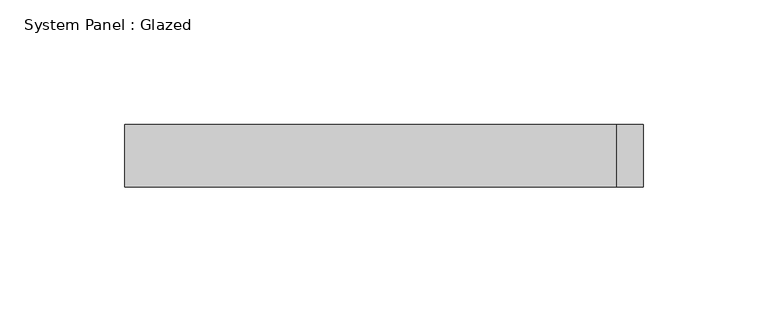
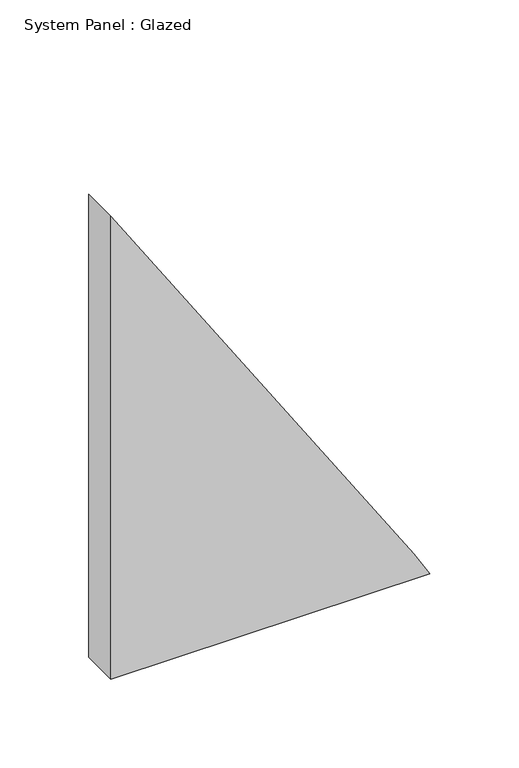
"""IFC4 building model written with IfcOpenShell, lengths in millimetres: plate geometry, System Panel : Glazed."""

from ifc_helpers import new_model, si_unit, point, frame, frame_2d, origin, place, context, project, spatial, polyline, circle_curve, trimmed, segment, composite_curve, outline, extrude, source, transform, mapped, element, save


def system_panel_glazed_21fdfa54(model_context):
    return source(origin(), model_context, "Body", "SweptSolid", [
        extrude(outline(composite_curve([segment(polyline([(0.0, -103.7873851), (0.0, 103.7873851)]), True, "CONTINUOUS"), segment(trimmed(circle_curve(frame_2d((-3276.8533559, -5272.3741986)), 6296.1004829), [point((0.0, 103.7873851))], [point((17.2315706, 93.2465285))], False, "CARTESIAN"), True, "CONTINUOUS"), segment(trimmed(circle_curve(frame_2d((-3276.8533559, -5272.3741986)), 6296.1004829), [point((17.2315706, 93.2465285))], [point((318.5036002, -103.7873851))], False, "CARTESIAN"), True, "CONTINUOUS"), segment(polyline([(318.5036002, -103.7873851), (0.0, -103.7873851)]), True, "CONTINUOUS")], self_intersect=False)), frame((0.0, 24.5, 0.0), z_axis=(0.0, 1.0, 0.0), x_axis=(0.0, 0.0, 1.0)), (0.0, 0.0, 1.0), 25.0),
    ])


if __name__ == "__main__":
    model = new_model("IFC4")
    model_context = context("Model", 3, world=origin())
    ifc_project = project(units=[si_unit("LENGTHUNIT", "METRE", prefix="MILLI")], contexts=[model_context])
    site = spatial("IfcSite", under=ifc_project)
    building = spatial("IfcBuilding", under=site)
    placement = place(None, origin())
    system_panel_glazed_shape = system_panel_glazed_21fdfa54(model_context)
    element("IfcPlate", 1, ObjectType="System Panel : Glazed", at=placement, inside=building, context=model_context, shape_type="MappedRepresentation", body=[
        mapped(system_panel_glazed_shape, transform((0.0, 0.0, 0.0), x_axis=(1.0, 0.0, 0.0), y_axis=(0.0, 1.0, 0.0), z_axis=(0.0, 0.0, 1.0))),
    ])
    save(model, "model.ifc")
